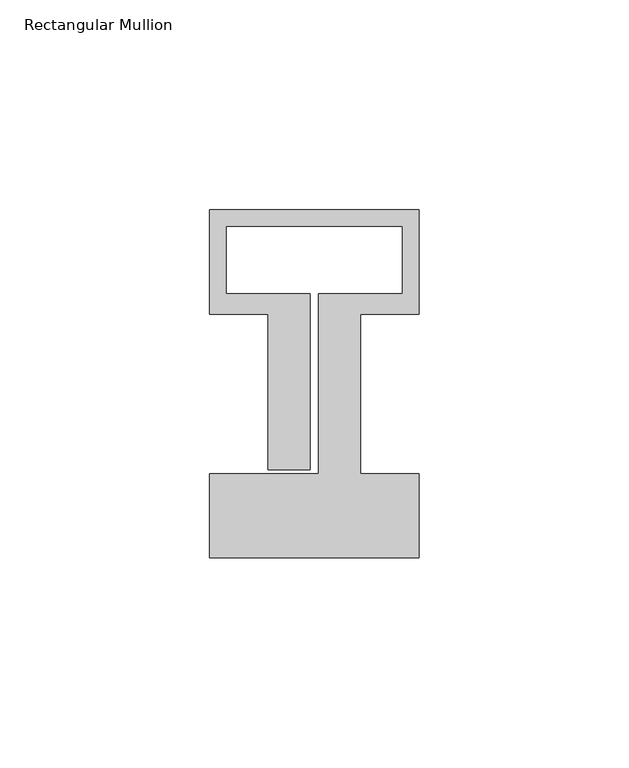
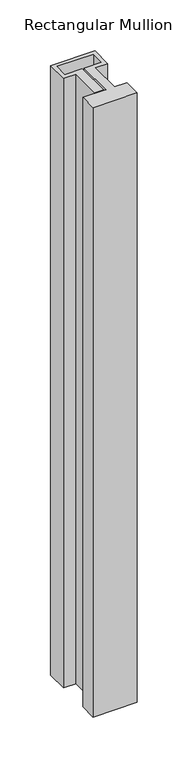
"""IFC4 building model written with IfcOpenShell, lengths in millimetres: member geometry, Rectangular Mullion."""

from ifc_helpers import new_model, si_unit, frame, origin, place, context, project, spatial, polyline, outline, extrude, source, transform, mapped, element, save


def rectangular_mullion_e8d642e1(model_context):
    return source(origin(), model_context, "Body", "SweptSolid", [
        extrude(outline(polyline([(0.0, -58.0), (-50.0, -58.0), (-50.0, -38.0), (-24.0, -38.0), (-24.0, 5.0), (-4.0, 5.0), (-4.0, 21.0), (-46.0, 21.0), (-46.0, 5.0), (-26.0, 5.0), (-26.0, -37.0), (-36.0, -37.0), (-36.0, 0.1), (-50.0, 0.1), (-50.0, 25.0), (0.0, 25.0), (0.0, 0.1), (-14.0, 0.1), (-14.0, -38.0), (0.0, -38.0), (0.0, -58.0)])), frame((0.0, 0.0, -730.0), z_axis=(0.0, 0.0, 1.0), x_axis=(1.0, 0.0, 0.0)), (0.0, 0.0, 1.0), 730.0),
    ])


if __name__ == "__main__":
    model = new_model("IFC4")
    model_context = context("Model", 3, world=origin())
    ifc_project = project(units=[si_unit("LENGTHUNIT", "METRE", prefix="MILLI")], contexts=[model_context])
    site = spatial("IfcSite", under=ifc_project)
    building = spatial("IfcBuilding", under=site)
    placement = place(None, origin())
    rectangular_mullion_shape = rectangular_mullion_e8d642e1(model_context)
    element("IfcMember", 1, ObjectType="Rectangular Mullion", at=placement, inside=building, context=model_context, shape_type="MappedRepresentation", body=[
        mapped(rectangular_mullion_shape, transform((0.0, 0.0, 0.0), x_axis=(1.0, 0.0, 0.0), y_axis=(0.0, 1.0, 0.0), z_axis=(0.0, 0.0, 1.0))),
    ])
    save(model, "model.ifc")
